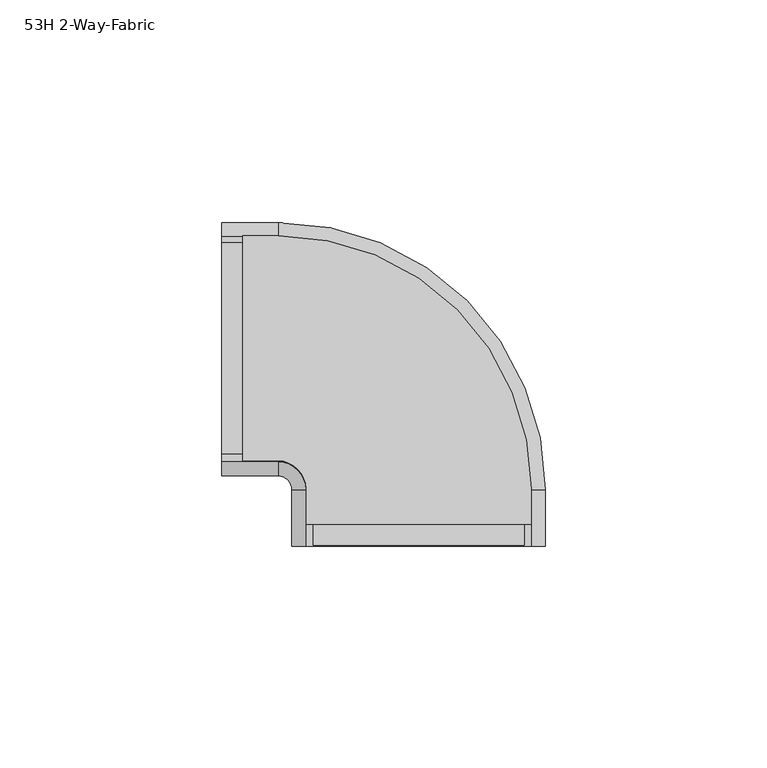
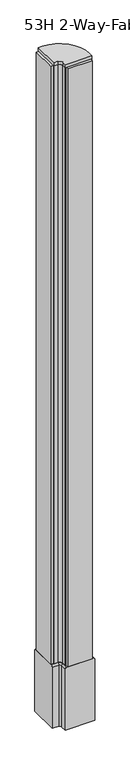
"""IFC4 building model written with IfcOpenShell, lengths in millimetres: furniture geometry, 53H 2-Way-Fabric."""

from ifc_helpers import new_model, si_unit, point, frame, frame_2d, origin, place, context, project, spatial, polyline, circle_curve, ellipse_curve, trimmed, segment, composite_curve, outline, extrude, source, transform, mapped, element, save
from ifc_brep_helpers import plane_surface, cylinder_surface, revolved_surface, advanced_brep


def furniture_53h_2_way_fabric_180735bb(model_context):
    return source(origin(), model_context, "Body", "SolidModel", [
        extrude(outline(composite_curve([segment(polyline([(31.7493657, -15.6479259), (-19.0506343, -15.6479259), (-19.0506343, -7.6850262)]), True, "CONTINUOUS"), segment(trimmed(circle_curve(frame_2d((-25.3752366, -7.6850262)), 6.3246022), [point((-19.0506343, -7.6850262))], [point((-25.3752366, -1.360424))], True, "CARTESIAN"), True, "CONTINUOUS"), segment(polyline([(-25.3752366, -1.360424), (-33.3375, -1.360424), (-33.3375, 49.439576), (-25.3752366, 49.439576)]), True, "CONTINUOUS"), segment(trimmed(circle_curve(frame_2d((-25.3752366, -7.6850262)), 57.1246022), [point((-25.3752366, 49.439576))], [point((31.7493657, -7.6850262))], False, "CARTESIAN"), True, "CONTINUOUS"), segment(polyline([(31.7493657, -7.6850262), (31.7493657, -15.6479259)]), True, "CONTINUOUS")], self_intersect=False)), frame((0.0, 0.0, 1349.3749758), z_axis=(0.0, 0.0, 1.0), x_axis=(1.0, 0.0, 0.0)), (0.0, 0.0, 1.0), 6.3500242),
        extrude(outline(polyline([(-28.575, 0.227076), (-38.1, 0.227076), (-38.1, 47.852076), (-28.575, 47.852076), (-28.575, 0.227076)])), frame((0.0, 0.0, 136.525), z_axis=(0.0, 0.0, 1.0), x_axis=(1.0, 0.0, 0.0)), (0.0, 0.0, 1.0), 1212.8499758),
        extrude(outline(polyline([(-17.4624992, -10.8854259), (30.1624985, -10.8854259), (30.1624985, -20.4104259), (-17.4624992, -20.4104259), (-17.4624992, -10.8854259)])), frame((0.0, 0.0, 136.525), z_axis=(0.0, 0.0, 1.0), x_axis=(1.0, 0.0, 0.0)), (0.0, 0.0, 1.0), 1212.8499758),
        advanced_brep(
        [(-38.1, -4.5354229, 133.3500011), (-38.1, -1.360424, 136.525), (-38.1, 49.439576, 136.525), (-38.1, 52.6145757, 133.3500003), (-38.1, 52.6145757, 9.525), (-38.1, -4.5354229, 9.525), (-25.3752366, -4.5354229, 133.3500011), (-25.3752366, -1.360424, 136.525), (-19.0506343, -7.6850262, 136.525), (-19.0506343, -20.4104259, 136.525), (31.7493657, -20.4104259, 136.525), (31.7493657, -7.6850262, 136.525), (-25.3752366, 49.439576, 136.525), (-25.3752366, 52.6145757, 133.3500003), (-25.3752366, 52.6145757, 9.525), (34.9243654, -7.6850262, 9.525), (34.9243654, -20.4104259, 9.525), (-22.2256332, -20.4104259, 9.525), (-22.2256332, -7.6850262, 9.525), (-25.3752366, -4.5354229, 9.525), (-22.2256332, -7.6850262, 133.3500011), (34.9243654, -7.6850262, 133.3500003), (-22.2256332, -20.4104259, 133.3500011), (34.9243654, -20.4104259, 133.3500003)],
        [
            (0, 1, circle_curve(frame((-38.1, -1.360424, 133.3500011), z_axis=(-1.0, 0.0, 0.0), x_axis=(0.0, 1.0, 0.0)), 3.1749989)),
            (1, 2),
            (2, 3, circle_curve(frame((-38.1, 49.439576, 133.3500003), z_axis=(-1.0, 0.0, 0.0), x_axis=(0.0, 1.0, 0.0)), 3.1749997)),
            (3, 4),
            (4, 5),
            (5, 0),
            (0, 6),
            (6, 7, circle_curve(frame((-25.3752366, -1.360424, 133.3500011), z_axis=(-1.0, 0.0, 0.0), x_axis=(0.0, 1.0, 0.0)), 3.1749989)),
            (7, 1),
            (7, 8, circle_curve(frame((-25.3752366, -7.6850262, 136.525), z_axis=(0.0, 0.0, -1.0), x_axis=(1.0416369253668474e-12, 1.0, 0.0)), 6.3246022)),
            (8, 9),
            (9, 10),
            (10, 11),
            (11, 12, circle_curve(frame((-25.3752366, -7.6850262, 136.525), z_axis=(0.0, 0.0, 1.0), x_axis=(1.0416369253668474e-12, 1.0, 0.0)), 57.1246022)),
            (12, 2),
            (12, 13, circle_curve(frame((-25.3752366, 49.439576, 133.3500003), z_axis=(-1.0, 0.0, 0.0), x_axis=(0.0, 1.0, 0.0)), 3.1749997)),
            (13, 3),
            (13, 14),
            (14, 4),
            (14, 15, circle_curve(frame((-25.3752366, -7.6850262, 9.525), z_axis=(0.0, 0.0, -1.0), x_axis=(1.0416369253668474e-12, 1.0, 0.0)), 60.2996019)),
            (15, 16),
            (16, 17),
            (17, 18),
            (18, 19, circle_curve(frame((-25.3752366, -7.6850262, 9.525), z_axis=(0.0, 0.0, 1.0), x_axis=(1.0416369253668474e-12, 1.0, 0.0)), 3.1496034)),
            (19, 5),
            (19, 6),
            (6, 20, circle_curve(frame((-25.3752366, -7.6850262, 133.3500011), z_axis=(0.0, 0.0, -1.0), x_axis=(1.0416369253668474e-12, 1.0, 0.0)), 3.1496034)),
            (20, 8, circle_curve(frame((-19.0506343, -7.6850262, 133.3500011), z_axis=(0.0, 1.0, 0.0), x_axis=(1.0, 0.0, 0.0)), 3.1749989)),
            (21, 13, circle_curve(frame((-25.3752366, -7.6850262, 133.3500003), z_axis=(0.0, 0.0, 1.0), x_axis=(1.0416369253668474e-12, 1.0, 0.0)), 60.2996019)),
            (11, 21, circle_curve(frame((31.7493657, -7.6850262, 133.3500003), z_axis=(0.0, 1.0, 0.0), x_axis=(1.0, 0.0, 0.0)), 3.1749997)),
            (21, 15),
            (18, 20),
            (22, 17),
            (16, 23),
            (23, 10, circle_curve(frame((31.7493657, -20.4104259, 133.3500003), z_axis=(0.0, -1.0, 0.0), x_axis=(1.0, 0.0, 0.0)), 3.1749997)),
            (9, 22, circle_curve(frame((-19.0506343, -20.4104259, 133.3500011), z_axis=(0.0, -1.0, 0.0), x_axis=(1.0, 0.0, 0.0)), 3.1749989)),
            (20, 22),
            (23, 21),
        ],
        [
            plane_surface(frame((-38.1, -4.535424, 0.0), z_axis=(-1.0, 0.0, 0.0), x_axis=(0.0, 0.0, 1.0))),
            cylinder_surface(frame((-38.1, -1.360424, 133.3500011), z_axis=(-1.0, 0.0, 0.0), x_axis=(0.0, 1.0, 0.0)), 3.1749989),
            plane_surface(frame((-38.1, -1.360424, 136.525), z_axis=(0.0, 0.0, 1.0), x_axis=(1.0, 0.0, 0.0))),
            cylinder_surface(frame((-38.1, 49.439576, 133.3500003), z_axis=(-1.0, 0.0, 0.0), x_axis=(0.0, 1.0, 0.0)), 3.1749997),
            plane_surface(frame((-38.1, 52.6145757, 133.3500003), z_axis=(0.0, 1.0, 0.0), x_axis=(1.0, 0.0, 0.0))),
            plane_surface(frame((-38.1, 52.6145757, 9.525), z_axis=(0.0, 0.0, -1.0), x_axis=(1.0, 0.0, 0.0))),
            plane_surface(frame((-38.1, -4.5354229, 9.525), z_axis=(0.0, -1.0, 0.0), x_axis=(1.0, 0.0, 0.0))),
            revolved_surface(trimmed(ellipse_curve(frame((-25.3752366, -1.360424, 133.3500011), z_axis=(-1.0, 1.0416369253668476e-12, 0.0), x_axis=(1.0416369253668476e-12, 1.0, 0.0)), 3.1749989, 3.1749989), [point((-25.3752366, -4.5354229, 133.3500011))], [point((-25.3752366, -1.360424, 136.525))], True, "CARTESIAN"), (-25.3752366, -7.6850262, 0.0), (0.0, 0.0, -1.0)),
            revolved_surface(trimmed(ellipse_curve(frame((-25.3752366, 49.439576, 133.3500003), z_axis=(-1.0, 1.039974831707354e-12, 0.0), x_axis=(1.039974831707354e-12, 1.0, 0.0)), 3.1749997, 3.1749997), [point((-25.3752366, 49.439576, 136.525))], [point((-25.3752366, 52.6145757, 133.3500003))], True, "CARTESIAN"), (-25.3752366, -7.6850262, 0.0), (0.0, 0.0, -1.0)),
            cylinder_surface(frame((-25.3752366, -7.6850262, 0.0), z_axis=(0.0, 0.0, -1.0), x_axis=(1.0416369253668474e-12, 1.0, 0.0)), 60.2996019),
            revolved_surface(polyline([(-25.37523659999672, -4.5354228, 9.525), (-25.37523659999672, -4.5354228, 133.3500011)]), (-25.3752366, -7.6850262, 0.0), (0.0, 0.0, -1.0)),
            plane_surface(frame((-22.2256343, -20.4104259, 0.0), z_axis=(0.0, -1.0, 0.0), x_axis=(0.0, 0.0, 1.0))),
            cylinder_surface(frame((-19.0506343, -7.6850262, 133.3500011), z_axis=(0.0, 1.0, 0.0), x_axis=(1.0, 0.0, 0.0)), 3.1749989),
            cylinder_surface(frame((31.7493657, -7.6850262, 133.3500003), z_axis=(0.0, 1.0, 0.0), x_axis=(1.0, 0.0, 0.0)), 3.1749997),
            plane_surface(frame((34.9243654, -7.6850262, 133.3500003), z_axis=(1.0, 0.0, 0.0), x_axis=(0.0, -1.0, 0.0))),
            plane_surface(frame((-22.2256332, -7.6850262, 9.525), z_axis=(-1.0, 0.0, 0.0), x_axis=(0.0, -1.0, 0.0))),
        ],
        [
            (0, [[1, 2, 3, 4, 5, 6]]),
            (1, [[-1, 7, 8, 9]]),
            (2, [[-2, -9, 10, 11, 12, 13, 14, 15]]),
            (3, [[-3, -15, 16, 17]]),
            (4, [[-4, -17, 18, 19]]),
            (5, [[-5, -19, 20, 21, 22, 23, 24, 25]]),
            (6, [[-6, -25, 26, -7]]),
            (7, [[-10, -8, 27, 28]]),
            (8, [[29, -16, -14, 30]]),
            (9, [[-20, -18, -29, 31]]),
            (10, [[-27, -26, -24, 32]]),
            (11, [[33, -22, 34, 35, -12, 36]]),
            (12, [[-28, 37, -36, -11]]),
            (13, [[-30, -13, -35, 38]]),
            (14, [[-31, -38, -34, -21]]),
            (15, [[-32, -23, -33, -37]]),
        ],
    ),
        extrude(outline(composite_curve([segment(trimmed(circle_curve(frame_2d((-25.3752366, -7.6850262)), 6.3246022), [point((-19.0506343, -7.6850262))], [point((-25.3752366, -1.360424))], True, "CARTESIAN"), True, "CONTINUOUS"), segment(polyline([(-25.3752366, -1.360424), (-33.3375, -1.360424), (-33.3375, 0.227076), (-28.575, 0.227076), (-28.575, 47.852076), (-33.3375, 47.852076), (-33.3375, 49.439576), (-25.3752366, 49.439576)]), True, "CONTINUOUS"), segment(trimmed(circle_curve(frame_2d((-25.3752366, -7.6850262)), 57.1246022), [point((-25.3752366, 49.439576))], [point((31.7493657, -7.6850262))], False, "CARTESIAN"), True, "CONTINUOUS"), segment(polyline([(31.7493657, -7.6850262), (31.7493657, -15.6479259), (30.1624985, -15.6479259), (30.1624985, -10.8854259), (-17.4624992, -10.8854259), (-17.4624992, -15.6479259), (-19.0506343, -15.6479259), (-19.0506343, -7.6850262)]), True, "CONTINUOUS")], self_intersect=False)), frame((0.0, 0.0, 133.3500011), z_axis=(0.0, 0.0, 1.0), x_axis=(1.0, 0.0, 0.0)), (0.0, 0.0, 1.0), 1216.0249746),
    ])


if __name__ == "__main__":
    model = new_model("IFC4")
    model_context = context("Model", 3, world=origin())
    ifc_project = project(units=[si_unit("LENGTHUNIT", "METRE", prefix="MILLI")], contexts=[model_context])
    site = spatial("IfcSite", under=ifc_project)
    building = spatial("IfcBuilding", under=site)
    placement = place(None, origin())
    furniture_53h_2_way_fabric_shape = furniture_53h_2_way_fabric_180735bb(model_context)
    element("IfcFurniture", 1, ObjectType="53H 2-Way-Fabric", at=placement, inside=building, context=model_context, shape_type="MappedRepresentation", body=[
        mapped(furniture_53h_2_way_fabric_shape, transform((0.0, 0.0, 0.0), x_axis=(1.0, 0.0, 0.0), y_axis=(0.0, 1.0, 0.0), z_axis=(0.0, 0.0, 1.0))),
    ])
    save(model, "model.ifc")
